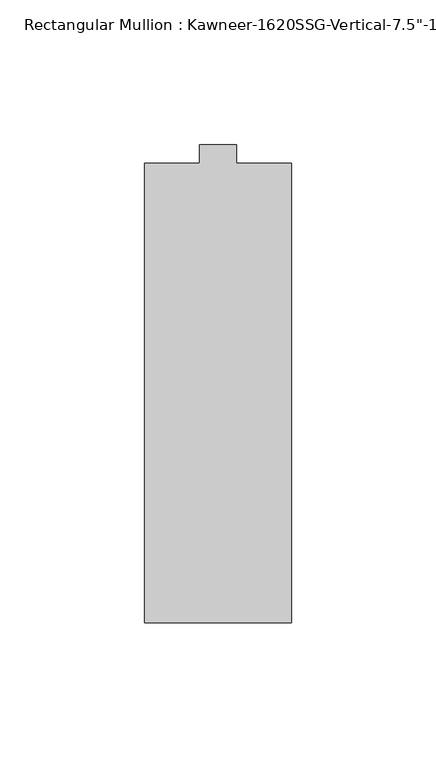
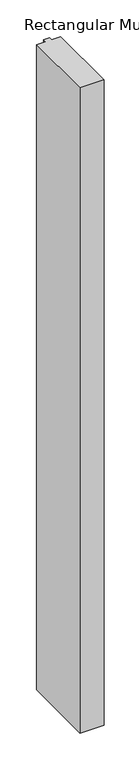
"""IFC4 building model written with IfcOpenShell, lengths in millimetres: member geometry."""

import ifcopenshell
import ifcopenshell.guid

model = None  # the IFC model being written
_history = None  # IfcOwnerHistory: only IFC2X3 demands one
_inside = {}  # id of a spatial element -> (the spatial element, [elements in it])
_under = {}  # id of a project, library or spatial element -> (it, [spatial elements below it])
_declared = {}  # id of a project -> (the project, [libraries it declares])
_typed = {}  # id of a type object -> (the type object, [elements of that type])
_made_of = {}  # id of a material, layer set ... -> (it, [elements and type objects made of it])


def new_model(schema):
    """Start an empty IFC model of exactly this schema.

    Asked for "IFC4X3", IfcOpenShell would pick the latest addendum, in which some entities
    have other attributes; the version numbers below select the first issue.
    IFC2X3 requires an IfcOwnerHistory on every rooted entity: one is made here for all.
    """
    global model, _history
    if schema == "IFC4X3":
        model = ifcopenshell.file(schema_version=(4, 3, 0, 0))
    else:
        model = ifcopenshell.file(schema=schema)
    _inside.clear()
    _under.clear()
    _declared.clear()
    _typed.clear()
    _made_of.clear()
    _history = None
    if model.schema == "IFC2X3":
        org = make("IfcOrganization", Name="unknown")
        user = make(
            "IfcPersonAndOrganization",
            ThePerson=make("IfcPerson", FamilyName="unknown"),
            TheOrganization=org,
        )
        app = make(
            "IfcApplication",
            ApplicationDeveloper=org,
            Version="unknown",
            ApplicationFullName="unknown",
            ApplicationIdentifier="unknown",
        )
        _history = make(
            "IfcOwnerHistory",
            OwningUser=user,
            OwningApplication=app,
            ChangeAction="ADDED",
            CreationDate=0,
        )
    return model


def make(cls, **values):
    """One entity of the class cls with the attributes given. An attribute that is None is left unset."""
    return model.create_entity(
        cls, **{name: value for name, value in values.items() if value is not None}
    )


def rooted(cls, **values):
    """An entity with a GlobalId (a new one), such as an element, a storey or a relation."""
    return make(cls, GlobalId=ifcopenshell.guid.new(), OwnerHistory=_history, **values)


def si_unit(unit_type, name, prefix=None):
    """IfcSIUnit, for example si_unit("LENGTHUNIT", "METRE", prefix="MILLI")."""
    return make("IfcSIUnit", UnitType=unit_type, Prefix=prefix, Name=name)


def assignment(units):
    """IfcUnitAssignment: the units of a project."""
    return None if units is None else make("IfcUnitAssignment", Units=units)


def point(xyz):
    """IfcCartesianPoint."""
    return None if xyz is None else make("IfcCartesianPoint", Coordinates=xyz)


def direction(xyz):
    """IfcDirection."""
    return None if xyz is None else make("IfcDirection", DirectionRatios=xyz)


def frame(location, z_axis=None, x_axis=None):
    """IfcAxis2Placement3D, a coordinate frame: its origin and axes. An axis left out is left unset."""
    return make(
        "IfcAxis2Placement3D",
        Location=point(location),
        Axis=direction(z_axis),
        RefDirection=direction(x_axis),
    )


def origin():
    """The frame at (0, 0, 0) with its axes left unset."""
    return frame((0.0, 0.0, 0.0))


def place(relative_to, where):
    """IfcLocalPlacement: puts the frame where relative to a parent placement (None: the world)."""
    return make(
        "IfcLocalPlacement", PlacementRelTo=relative_to, RelativePlacement=where
    )


def context(
    kind, dimensions, precision=None, world=None, true_north=None, identifier=None
):
    """IfcGeometricRepresentationContext, for example the 3D "Model" context."""
    return make(
        "IfcGeometricRepresentationContext",
        ContextIdentifier=identifier,
        ContextType=kind,
        CoordinateSpaceDimension=dimensions,
        Precision=precision,
        WorldCoordinateSystem=world,
        TrueNorth=true_north,
    )


def project(units=None, contexts=None):
    """IfcProject with its units and contexts."""
    return rooted(
        "IfcProject",
        Name="project",
        RepresentationContexts=contexts,
        UnitsInContext=assignment(units),
    )


def spatial(cls, under=None, at=None, **own):
    """A site, building, storey or space (cls), placed at a placement, below another one or the project."""
    s = rooted(cls, ObjectPlacement=at, **own)
    if under is not None:
        _under.setdefault(under.id(), (under, []))[1].append(s)
    return s


def polyline(points):
    """IfcPolyline through the points."""
    return make("IfcPolyline", Points=[point(p) for p in points])


def outline(outer, holes=None, kind="AREA"):
    """IfcArbitraryClosedProfileDef: a profile drawn as a closed curve; with holes, ...WithVoids."""
    if holes is None:
        return make("IfcArbitraryClosedProfileDef", ProfileType=kind, OuterCurve=outer)
    return make(
        "IfcArbitraryProfileDefWithVoids",
        ProfileType=kind,
        OuterCurve=outer,
        InnerCurves=holes,
    )


def extrude(swept, where, along, depth):
    """IfcExtrudedAreaSolid: the profile swept, set in the frame where, extruded along a direction by depth."""
    return make(
        "IfcExtrudedAreaSolid",
        SweptArea=swept,
        Position=where,
        ExtrudedDirection=direction(along),
        Depth=depth,
    )


def shape(context_of_items, identifier, shape_type, items):
    """IfcShapeRepresentation: the items that make up one representation, for example the "Body"."""
    return make(
        "IfcShapeRepresentation",
        ContextOfItems=context_of_items,
        RepresentationIdentifier=identifier,
        RepresentationType=shape_type,
        Items=items,
    )


def source(mapping_origin, context_of_items, identifier, shape_type, items):
    """IfcRepresentationMap: a shape defined once, which mapped items show again and again."""
    return make(
        "IfcRepresentationMap",
        MappingOrigin=mapping_origin,
        MappedRepresentation=shape(context_of_items, identifier, shape_type, items),
    )


def transform(
    local_origin,
    x_axis=None,
    y_axis=None,
    z_axis=None,
    scale=None,
    scale2=None,
    scale3=None,
    uniform=True,
):
    """IfcCartesianTransformationOperator3D, or its non-uniform kind. x_axis, y_axis, z_axis: its Axis1, 2, 3."""
    if uniform:
        return make(
            "IfcCartesianTransformationOperator3D",
            Axis1=direction(x_axis),
            Axis2=direction(y_axis),
            LocalOrigin=point(local_origin),
            Scale=scale,
            Axis3=direction(z_axis),
        )
    return make(
        "IfcCartesianTransformationOperator3DnonUniform",
        Axis1=direction(x_axis),
        Axis2=direction(y_axis),
        LocalOrigin=point(local_origin),
        Scale=scale,
        Axis3=direction(z_axis),
        Scale2=scale2,
        Scale3=scale3,
    )


def mapped(mapping_source, mapping_target):
    """IfcMappedItem: shows the shape of a source again, moved by a transform."""
    return make(
        "IfcMappedItem", MappingSource=mapping_source, MappingTarget=mapping_target
    )


def made_of(thing, what):
    """Note that an element or type object is made of a material, layer set ...; save() writes the relation."""
    if what is not None:
        _made_of.setdefault(what.id(), (what, []))[1].append(thing)
    return thing


def element(
    cls,
    number,
    at=None,
    inside=None,
    cuts=None,
    type_object=None,
    material=None,
    context=None,
    identifier="Body",
    shape_type=None,
    held_by="IfcProductDefinitionShape",
    body=None,
    shapes=None,
    **own,
):
    """One element of the class cls, such as IfcWall. Its Tag is "e" and its number.

    at: its placement. inside: the storey or other place that contains it. cuts: it is an
    opening in that element (IfcRelVoidsElement). A single representation is given by context,
    identifier, shape_type and body (its items); several are given by shapes. held_by: the class
    of the entity that holds the representations. save() writes the other relations.
    """
    e = rooted(cls, Tag="e%d" % number, ObjectPlacement=at, **own)
    if body is not None:
        shapes = [shape(context, identifier, shape_type, body)]
    if shapes is not None:
        e.Representation = make(held_by, Representations=shapes)
    if inside is not None:
        _inside.setdefault(inside.id(), (inside, []))[1].append(e)
    if cuts is not None:
        rooted(
            "IfcRelVoidsElement", RelatingBuildingElement=cuts, RelatedOpeningElement=e
        )
    if type_object is not None:
        _typed.setdefault(type_object.id(), (type_object, []))[1].append(e)
    return made_of(e, material)


def aggregate(whole, parts):
    """IfcRelAggregates: a whole, such as a stair, and the parts it consists of."""
    return rooted("IfcRelAggregates", RelatingObject=whole, RelatedObjects=parts)


def save(model, path):
    """Write the relations noted so far, then the file.

    IfcRelAggregates (storeys below a building ...), IfcRelContainedInSpatialStructure (elements
    in a storey), IfcRelDefinesByType, IfcRelAssociatesMaterial and IfcRelDeclares: one each for
    every whole, place, type object, material and project.
    """
    for whole, parts in _under.values():
        aggregate(whole, parts)
    for where, things in _inside.values():
        rooted(
            "IfcRelContainedInSpatialStructure",
            RelatedElements=things,
            RelatingStructure=where,
        )
    for kind, things in _typed.values():
        rooted("IfcRelDefinesByType", RelatedObjects=things, RelatingType=kind)
    for what, things in _made_of.values():
        rooted("IfcRelAssociatesMaterial", RelatedObjects=things, RelatingMaterial=what)
    for by, libraries in _declared.values():
        rooted("IfcRelDeclares", RelatingContext=by, RelatedDefinitions=libraries)
    model.write(path)


def member_ccde7902(model_context):
    return source(origin(), model_context, "Body", "SweptSolid", [
        extrude(outline(polyline([(25.4, -161.925), (-25.4, -161.925), (-25.4, -3.175), (-6.35, -3.175), (-6.35, 3.175), (6.35, 3.175), (6.35, -3.175), (25.4, -3.175), (25.4, -161.925)])), frame((0.0, 0.0, -1435.1), z_axis=(0.0, 0.0, 1.0), x_axis=(1.0, 0.0, 0.0)), (0.0, 0.0, 1.0), 1435.1),
    ])


if __name__ == "__main__":
    model = new_model("IFC4")
    model_context = context("Model", 3, world=origin())
    ifc_project = project(units=[si_unit("LENGTHUNIT", "METRE", prefix="MILLI")], contexts=[model_context])
    site = spatial("IfcSite", under=ifc_project)
    building = spatial("IfcBuilding", under=site)
    placement = place(None, origin())
    member_shape = member_ccde7902(model_context)
    element("IfcMember", 1, ObjectType="Rectangular Mullion : Kawneer-1620SSG-Vertical-7.5\"-1/4\"Infill-Standard", at=placement, inside=building, context=model_context, shape_type="MappedRepresentation", body=[
        mapped(member_shape, transform((0.0, 0.0, 0.0), x_axis=(1.0, 0.0, 0.0), y_axis=(0.0, 1.0, 0.0), z_axis=(0.0, 0.0, 1.0))),
    ])
    save(model, "model.ifc")
